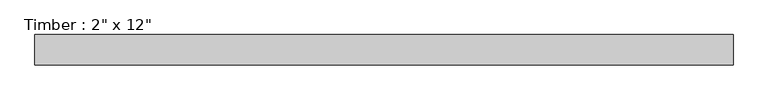
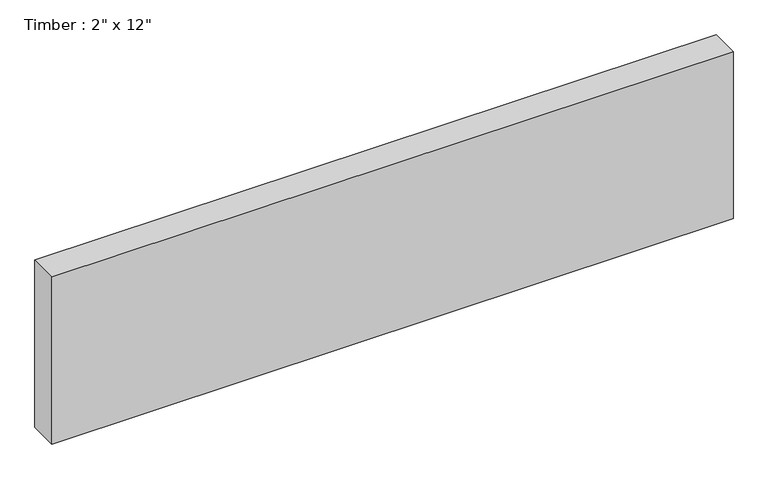
"""IFC4 building model written with IfcOpenShell, lengths in millimetres: beam geometry."""

from ifc_helpers import new_model, si_unit, frame, origin, place, context, project, spatial, polyline, outline, extrude, source, transform, mapped, element, save


def beam_01e0f5cb(model_context):
    return source(origin(), model_context, "Body", "SweptSolid", [
        extrude(outline(polyline([(587.375, 25.4), (587.375, -25.4), (-587.375, -25.4), (-587.375, 25.4), (587.375, 25.4)])), frame((0.0, 0.0, -152.4), z_axis=(0.0, 0.0, 1.0), x_axis=(1.0, 0.0, 0.0)), (0.0, 0.0, 1.0), 304.8),
    ])


if __name__ == "__main__":
    model = new_model("IFC4")
    model_context = context("Model", 3, world=origin())
    ifc_project = project(units=[si_unit("LENGTHUNIT", "METRE", prefix="MILLI")], contexts=[model_context])
    site = spatial("IfcSite", under=ifc_project)
    building = spatial("IfcBuilding", under=site)
    placement = place(None, origin())
    beam_shape = beam_01e0f5cb(model_context)
    element("IfcBeam", 1, ObjectType="Timber : 2\" x 12\"", at=placement, inside=building, context=model_context, shape_type="MappedRepresentation", body=[
        mapped(beam_shape, transform((0.0, 0.0, 0.0), x_axis=(1.0, 0.0, 0.0), y_axis=(0.0, 1.0, 0.0), z_axis=(0.0, 0.0, 1.0))),
    ])
    save(model, "model.ifc")
